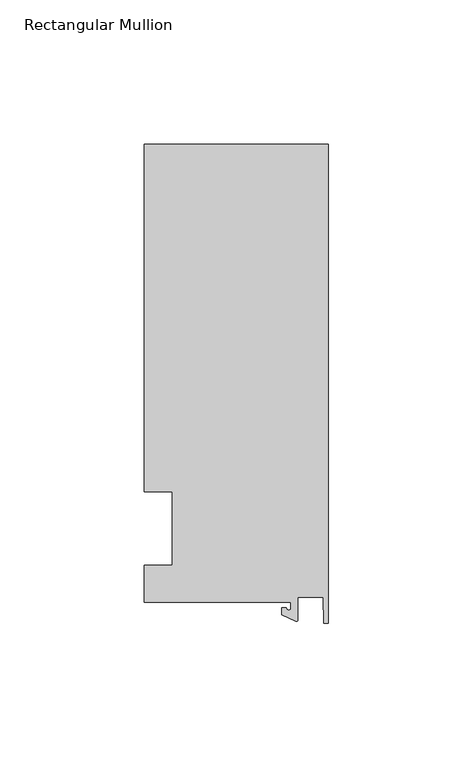
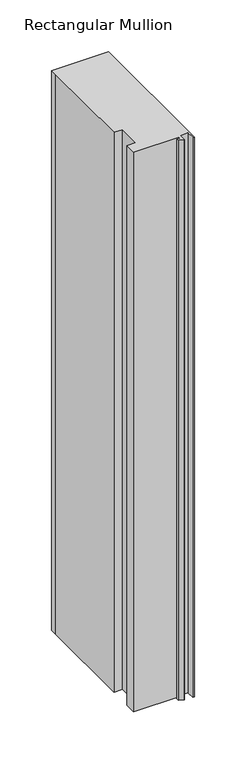
"""IFC4 building model written with IfcOpenShell, lengths in millimetres: member geometry, Rectangular Mullion."""

from ifc_helpers import new_model, si_unit, point, frame, frame_2d, origin, place, context, project, spatial, polyline, circle_curve, trimmed, segment, composite_curve, outline, extrude, source, transform, mapped, element, save


def rectangular_mullion_a092bbbb(model_context):
    return source(origin(), model_context, "Body", "SweptSolid", [
        extrude(outline(composite_curve([segment(polyline([(-12.8216721, -25.5984375), (-63.5, -25.5984375), (-63.5, -12.7), (-53.975, -12.7), (-53.975, 12.7), (-63.5, 12.7), (-63.5, 125.075512), (-63.5, 132.822512), (0.0, 132.822512), (0.0, -32.810012), (-1.5566453, -32.810012), (-1.7144124, -23.9227662), (-10.4340721, -23.9227662), (-10.4340721, -31.6795354)]), True, "CONTINUOUS"), segment(trimmed(circle_curve(frame_2d((-10.9420721, -31.6795354)), 0.508), [point((-10.4340721, -31.6795354))], [point((-11.1567622, -32.1399398))], False, "CARTESIAN"), True, "CONTINUOUS"), segment(polyline([(-11.1567622, -32.1399398), (-15.9966721, -29.8830527), (-15.9966721, -27.5208534), (-14.4091721, -27.5208534)]), True, "CONTINUOUS"), segment(trimmed(circle_curve(frame_2d((-13.6154221, -27.5208534)), 0.79375), [point((-14.4091721, -27.5208534))], [point((-12.8216721, -27.5208534))], True, "CARTESIAN"), True, "CONTINUOUS"), segment(polyline([(-12.8216721, -27.5208534), (-12.8216721, -25.5984375)]), True, "CONTINUOUS")], self_intersect=False)), frame((0.0, 0.0, -660.4), z_axis=(0.0, 0.0, 1.0), x_axis=(1.0, 0.0, 0.0)), (0.0, 0.0, 1.0), 660.4),
    ])


if __name__ == "__main__":
    model = new_model("IFC4")
    model_context = context("Model", 3, world=origin())
    ifc_project = project(units=[si_unit("LENGTHUNIT", "METRE", prefix="MILLI")], contexts=[model_context])
    site = spatial("IfcSite", under=ifc_project)
    building = spatial("IfcBuilding", under=site)
    placement = place(None, origin())
    rectangular_mullion_shape = rectangular_mullion_a092bbbb(model_context)
    element("IfcMember", 1, ObjectType="Rectangular Mullion", at=placement, inside=building, context=model_context, shape_type="MappedRepresentation", body=[
        mapped(rectangular_mullion_shape, transform((0.0, 0.0, 0.0), x_axis=(1.0, 0.0, 0.0), y_axis=(0.0, 1.0, 0.0), z_axis=(0.0, 0.0, 1.0))),
    ])
    save(model, "model.ifc")
